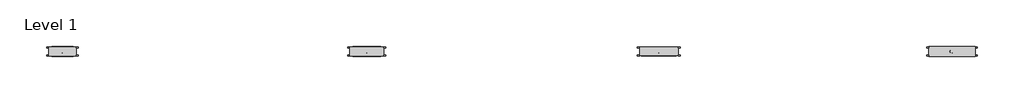
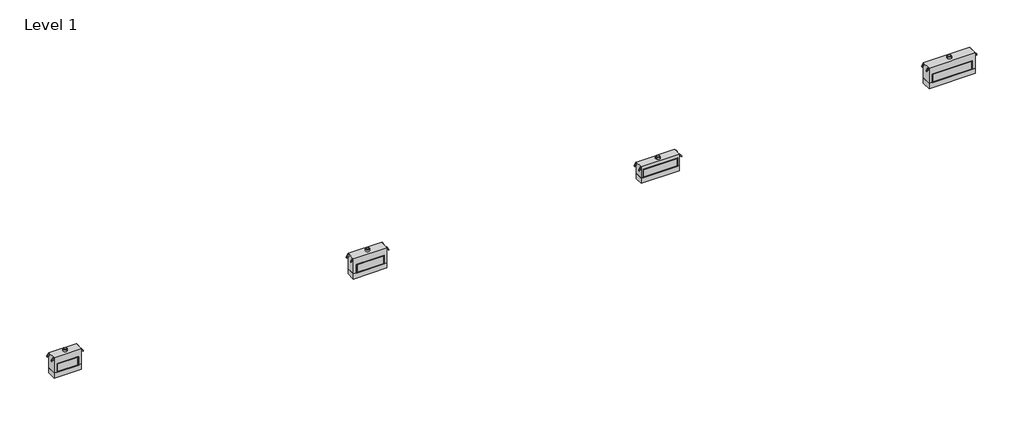
# One storey: 12 proxies.
"""IFC4 building model written with IfcOpenShell, lengths in millimetres."""

import ifcopenshell
import ifcopenshell.guid

model = None  # the IFC model being written
_history = None  # IfcOwnerHistory: only IFC2X3 demands one
_inside = {}  # id of a spatial element -> (the spatial element, [elements in it])
_under = {}  # id of a project, library or spatial element -> (it, [spatial elements below it])
_declared = {}  # id of a project -> (the project, [libraries it declares])
_typed = {}  # id of a type object -> (the type object, [elements of that type])
_made_of = {}  # id of a material, layer set ... -> (it, [elements and type objects made of it])


def new_model(schema):
    """Start an empty IFC model of exactly this schema.

    Asked for "IFC4X3", IfcOpenShell would pick the latest addendum, in which some entities
    have other attributes; the version numbers below select the first issue.
    IFC2X3 requires an IfcOwnerHistory on every rooted entity: one is made here for all.
    """
    global model, _history
    if schema == "IFC4X3":
        model = ifcopenshell.file(schema_version=(4, 3, 0, 0))
    else:
        model = ifcopenshell.file(schema=schema)
    _inside.clear()
    _under.clear()
    _declared.clear()
    _typed.clear()
    _made_of.clear()
    _history = None
    if model.schema == "IFC2X3":
        org = make("IfcOrganization", Name="unknown")
        user = make(
            "IfcPersonAndOrganization",
            ThePerson=make("IfcPerson", FamilyName="unknown"),
            TheOrganization=org,
        )
        app = make(
            "IfcApplication",
            ApplicationDeveloper=org,
            Version="unknown",
            ApplicationFullName="unknown",
            ApplicationIdentifier="unknown",
        )
        _history = make(
            "IfcOwnerHistory",
            OwningUser=user,
            OwningApplication=app,
            ChangeAction="ADDED",
            CreationDate=0,
        )
    return model


def make(cls, **values):
    """One entity of the class cls with the attributes given. An attribute that is None is left unset."""
    return model.create_entity(
        cls, **{name: value for name, value in values.items() if value is not None}
    )


def rooted(cls, **values):
    """An entity with a GlobalId (a new one), such as an element, a storey or a relation."""
    return make(cls, GlobalId=ifcopenshell.guid.new(), OwnerHistory=_history, **values)


def si_unit(unit_type, name, prefix=None):
    """IfcSIUnit, for example si_unit("LENGTHUNIT", "METRE", prefix="MILLI")."""
    return make("IfcSIUnit", UnitType=unit_type, Prefix=prefix, Name=name)


def assignment(units):
    """IfcUnitAssignment: the units of a project."""
    return None if units is None else make("IfcUnitAssignment", Units=units)


def point(xyz):
    """IfcCartesianPoint."""
    return None if xyz is None else make("IfcCartesianPoint", Coordinates=xyz)


def direction(xyz):
    """IfcDirection."""
    return None if xyz is None else make("IfcDirection", DirectionRatios=xyz)


def frame(location, z_axis=None, x_axis=None):
    """IfcAxis2Placement3D, a coordinate frame: its origin and axes. An axis left out is left unset."""
    return make(
        "IfcAxis2Placement3D",
        Location=point(location),
        Axis=direction(z_axis),
        RefDirection=direction(x_axis),
    )


def frame_2d(location, x_axis=None):
    """IfcAxis2Placement2D, a coordinate frame in the plane: its origin and x axis."""
    return make(
        "IfcAxis2Placement2D", Location=point(location), RefDirection=direction(x_axis)
    )


def origin():
    """The frame at (0, 0, 0) with its axes left unset."""
    return frame((0.0, 0.0, 0.0))


def origin_with_axes():
    """The frame at (0, 0, 0) with the z axis (0, 0, 1) and the x axis (1, 0, 0) written out."""
    return frame((0.0, 0.0, 0.0), z_axis=(0.0, 0.0, 1.0), x_axis=(1.0, 0.0, 0.0))


def origin_2d():
    """The frame at (0, 0) in the plane with its x axis left unset."""
    return frame_2d((0.0, 0.0))


def place(relative_to, where):
    """IfcLocalPlacement: puts the frame where relative to a parent placement (None: the world)."""
    return make(
        "IfcLocalPlacement", PlacementRelTo=relative_to, RelativePlacement=where
    )


def context(
    kind, dimensions, precision=None, world=None, true_north=None, identifier=None
):
    """IfcGeometricRepresentationContext, for example the 3D "Model" context."""
    return make(
        "IfcGeometricRepresentationContext",
        ContextIdentifier=identifier,
        ContextType=kind,
        CoordinateSpaceDimension=dimensions,
        Precision=precision,
        WorldCoordinateSystem=world,
        TrueNorth=true_north,
    )


def project(units=None, contexts=None):
    """IfcProject with its units and contexts."""
    return rooted(
        "IfcProject",
        Name="project",
        RepresentationContexts=contexts,
        UnitsInContext=assignment(units),
    )


def spatial(cls, under=None, at=None, **own):
    """A site, building, storey or space (cls), placed at a placement, below another one or the project."""
    s = rooted(cls, ObjectPlacement=at, **own)
    if under is not None:
        _under.setdefault(under.id(), (under, []))[1].append(s)
    return s


def polyline(points):
    """IfcPolyline through the points."""
    return make("IfcPolyline", Points=[point(p) for p in points])


def circle_curve(where, radius):
    """IfcCircle in the frame where."""
    return make("IfcCircle", Position=where, Radius=radius)


def trimmed(basis, trim1, trim2, sense, master):
    """IfcTrimmedCurve: the piece of a basis curve between two trims."""
    return make(
        "IfcTrimmedCurve",
        BasisCurve=basis,
        Trim1=trim1,
        Trim2=trim2,
        SenseAgreement=sense,
        MasterRepresentation=master,
    )


def segment(curve, same_sense, transition):
    """IfcCompositeCurveSegment."""
    return make(
        "IfcCompositeCurveSegment",
        Transition=transition,
        SameSense=same_sense,
        ParentCurve=curve,
    )


def composite_curve(segments, self_intersect=None):
    """IfcCompositeCurve: segments joined end to end."""
    return make("IfcCompositeCurve", Segments=segments, SelfIntersect=self_intersect)


def outline(outer, holes=None, kind="AREA"):
    """IfcArbitraryClosedProfileDef: a profile drawn as a closed curve; with holes, ...WithVoids."""
    if holes is None:
        return make("IfcArbitraryClosedProfileDef", ProfileType=kind, OuterCurve=outer)
    return make(
        "IfcArbitraryProfileDefWithVoids",
        ProfileType=kind,
        OuterCurve=outer,
        InnerCurves=holes,
    )


def extrude(swept, where, along, depth):
    """IfcExtrudedAreaSolid: the profile swept, set in the frame where, extruded along a direction by depth."""
    return make(
        "IfcExtrudedAreaSolid",
        SweptArea=swept,
        Position=where,
        ExtrudedDirection=direction(along),
        Depth=depth,
    )


def shape(context_of_items, identifier, shape_type, items):
    """IfcShapeRepresentation: the items that make up one representation, for example the "Body"."""
    return make(
        "IfcShapeRepresentation",
        ContextOfItems=context_of_items,
        RepresentationIdentifier=identifier,
        RepresentationType=shape_type,
        Items=items,
    )


def source(mapping_origin, context_of_items, identifier, shape_type, items):
    """IfcRepresentationMap: a shape defined once, which mapped items show again and again."""
    return make(
        "IfcRepresentationMap",
        MappingOrigin=mapping_origin,
        MappedRepresentation=shape(context_of_items, identifier, shape_type, items),
    )


def transform(
    local_origin,
    x_axis=None,
    y_axis=None,
    z_axis=None,
    scale=None,
    scale2=None,
    scale3=None,
    uniform=True,
):
    """IfcCartesianTransformationOperator3D, or its non-uniform kind. x_axis, y_axis, z_axis: its Axis1, 2, 3."""
    if uniform:
        return make(
            "IfcCartesianTransformationOperator3D",
            Axis1=direction(x_axis),
            Axis2=direction(y_axis),
            LocalOrigin=point(local_origin),
            Scale=scale,
            Axis3=direction(z_axis),
        )
    return make(
        "IfcCartesianTransformationOperator3DnonUniform",
        Axis1=direction(x_axis),
        Axis2=direction(y_axis),
        LocalOrigin=point(local_origin),
        Scale=scale,
        Axis3=direction(z_axis),
        Scale2=scale2,
        Scale3=scale3,
    )


def mapped(mapping_source, mapping_target):
    """IfcMappedItem: shows the shape of a source again, moved by a transform."""
    return make(
        "IfcMappedItem", MappingSource=mapping_source, MappingTarget=mapping_target
    )


def made_of(thing, what):
    """Note that an element or type object is made of a material, layer set ...; save() writes the relation."""
    if what is not None:
        _made_of.setdefault(what.id(), (what, []))[1].append(thing)
    return thing


def element(
    cls,
    number,
    at=None,
    inside=None,
    cuts=None,
    type_object=None,
    material=None,
    context=None,
    identifier="Body",
    shape_type=None,
    held_by="IfcProductDefinitionShape",
    body=None,
    shapes=None,
    **own,
):
    """One element of the class cls, such as IfcWall. Its Tag is "e" and its number.

    at: its placement. inside: the storey or other place that contains it. cuts: it is an
    opening in that element (IfcRelVoidsElement). A single representation is given by context,
    identifier, shape_type and body (its items); several are given by shapes. held_by: the class
    of the entity that holds the representations. save() writes the other relations.
    """
    e = rooted(cls, Tag="e%d" % number, ObjectPlacement=at, **own)
    if body is not None:
        shapes = [shape(context, identifier, shape_type, body)]
    if shapes is not None:
        e.Representation = make(held_by, Representations=shapes)
    if inside is not None:
        _inside.setdefault(inside.id(), (inside, []))[1].append(e)
    if cuts is not None:
        rooted(
            "IfcRelVoidsElement", RelatingBuildingElement=cuts, RelatedOpeningElement=e
        )
    if type_object is not None:
        _typed.setdefault(type_object.id(), (type_object, []))[1].append(e)
    return made_of(e, material)


def aggregate(whole, parts):
    """IfcRelAggregates: a whole, such as a stair, and the parts it consists of."""
    return rooted("IfcRelAggregates", RelatingObject=whole, RelatedObjects=parts)


def save(model, path):
    """Write the relations noted so far, then the file.

    IfcRelAggregates (storeys below a building ...), IfcRelContainedInSpatialStructure (elements
    in a storey), IfcRelDefinesByType, IfcRelAssociatesMaterial and IfcRelDeclares: one each for
    every whole, place, type object, material and project.
    """
    for whole, parts in _under.values():
        aggregate(whole, parts)
    for where, things in _inside.values():
        rooted(
            "IfcRelContainedInSpatialStructure",
            RelatedElements=things,
            RelatingStructure=where,
        )
    for kind, things in _typed.values():
        rooted("IfcRelDefinesByType", RelatedObjects=things, RelatingType=kind)
    for what, things in _made_of.values():
        rooted("IfcRelAssociatesMaterial", RelatedObjects=things, RelatingMaterial=what)
    for by, libraries in _declared.values():
        rooted("IfcRelDeclares", RelatingContext=by, RelatedDefinitions=libraries)
    model.write(path)


def d36_d36_6f4c5c59(model_context):
    return source(origin(), model_context, "Body", "SweptSolid", [
        extrude(outline(polyline([(911.8600077, -658.8125), (1038.8600077, -658.8125), (1038.8600077, -675.6019363), (923.725043, -760.1840267), (873.7600292, -760.1840267), (873.7600292, -758.6600552), (911.8600077, -758.6600552), (911.8600077, -658.8125)])), frame((0.0, 169.1535326, 0.0), z_axis=(0.0, 1.0, 0.0), x_axis=(0.0, 0.0, 1.0)), (0.0, 0.0, 1.0), 40.3964674),
        extrude(outline(polyline([(911.8600077, -658.8125), (1038.8600077, -658.8125), (1038.8600077, -675.6019363), (923.725043, -760.1840267), (873.7600292, -760.1840267), (873.7600292, -758.6600552), (911.8600077, -758.6600552), (911.8600077, -658.8125)])), frame((0.0, -209.55, 0.0), z_axis=(0.0, 1.0, 0.0), x_axis=(0.0, 0.0, 1.0)), (0.0, 0.0, 1.0), 40.3964674),
        extrude(outline(polyline([(911.8600077, 658.8125), (911.8600077, 758.6600552), (873.7600292, 758.6600552), (873.7600292, 760.1840267), (923.725043, 760.1840267), (1038.8600077, 675.6019363), (1038.8600077, 658.8125), (911.8600077, 658.8125)])), frame((0.0, 169.1535326, 0.0), z_axis=(0.0, 1.0, 0.0), x_axis=(0.0, 0.0, 1.0)), (0.0, 0.0, 1.0), 40.3964674),
        extrude(outline(polyline([(911.8600077, 658.8125), (911.8600077, 758.6600552), (873.7600292, 758.6600552), (873.7600292, 760.1840267), (923.725043, 760.1840267), (1038.8600077, 675.6019363), (1038.8600077, 658.8125), (911.8600077, 658.8125)])), frame((0.0, -209.55, 0.0), z_axis=(0.0, 1.0, 0.0), x_axis=(0.0, 0.0, 1.0)), (0.0, 0.0, 1.0), 40.3964674),
        extrude(outline(polyline([(481.0125, 220.6625), (481.0125, -220.6625), (-481.0125, -220.6625), (-481.0125, 220.6625), (481.0125, 220.6625)])), frame((0.0, 0.0, 282.575), z_axis=(0.0, 0.0, 1.0), x_axis=(1.0, 0.0, 0.0)), (0.0, 0.0, 1.0), 393.7),
        extrude(outline(polyline([(1041.4, 658.8125), (1041.4, -658.8125), (263.525, -658.8125), (263.525, -517.525), (695.325, -517.525), (695.325, 517.525), (263.525, 517.525), (263.525, 658.8125), (1041.4, 658.8125)])), frame((0.0, -220.6625, 0.0), z_axis=(0.0, 1.0, 0.0), x_axis=(0.0, 0.0, 1.0)), (0.0, 0.0, 1.0), 441.325),
        extrude(outline(polyline([(695.325, 517.525), (695.325, -517.525), (263.525, -517.525), (263.525, 517.525), (695.325, 517.525)]), holes=[polyline([(676.275, -481.0125), (676.275, 481.0125), (282.575, 481.0125), (282.575, -481.0125), (676.275, -481.0125)])]), frame((0.0, -234.95, 0.0), z_axis=(0.0, 1.0, 0.0), x_axis=(0.0, 0.0, 1.0)), (0.0, 0.0, 1.0), 469.9),
        extrude(outline(polyline([(658.8125, 220.6625), (658.8125, -220.6625), (-658.8125, -220.6625), (-658.8125, 220.6625), (658.8125, 220.6625)])), origin_with_axes(), (0.0, 0.0, 1.0), 263.525),
    ])


def d48_d48_03faacfb(model_context):
    return source(origin(), model_context, "Body", "SweptSolid", [
        extrude(outline(polyline([(911.8600077, -811.2125), (1038.8600077, -811.2125), (1038.8600077, -828.0019363), (923.725043, -912.5840267), (873.7600292, -912.5840267), (873.7600292, -911.0600552), (911.8600077, -911.0600552), (911.8600077, -811.2125)])), frame((0.0, 169.1535326, 0.0), z_axis=(0.0, 1.0, 0.0), x_axis=(0.0, 0.0, 1.0)), (0.0, 0.0, 1.0), 40.3964674),
        extrude(outline(polyline([(911.8600077, -811.2125), (1038.8600077, -811.2125), (1038.8600077, -828.0019363), (923.725043, -912.5840267), (873.7600292, -912.5840267), (873.7600292, -911.0600552), (911.8600077, -911.0600552), (911.8600077, -811.2125)])), frame((0.0, -209.55, 0.0), z_axis=(0.0, 1.0, 0.0), x_axis=(0.0, 0.0, 1.0)), (0.0, 0.0, 1.0), 40.3964674),
        extrude(outline(polyline([(911.8600077, 811.2125), (911.8600077, 911.0600552), (873.7600292, 911.0600552), (873.7600292, 912.5840267), (923.725043, 912.5840267), (1038.8600077, 828.0019363), (1038.8600077, 811.2125), (911.8600077, 811.2125)])), frame((0.0, 169.1535326, 0.0), z_axis=(0.0, 1.0, 0.0), x_axis=(0.0, 0.0, 1.0)), (0.0, 0.0, 1.0), 40.3964674),
        extrude(outline(polyline([(911.8600077, 811.2125), (911.8600077, 911.0600552), (873.7600292, 911.0600552), (873.7600292, 912.5840267), (923.725043, 912.5840267), (1038.8600077, 828.0019363), (1038.8600077, 811.2125), (911.8600077, 811.2125)])), frame((0.0, -209.55, 0.0), z_axis=(0.0, 1.0, 0.0), x_axis=(0.0, 0.0, 1.0)), (0.0, 0.0, 1.0), 40.3964674),
        extrude(outline(polyline([(634.20625, 220.6625), (634.20625, -220.6625), (-634.20625, -220.6625), (-634.20625, 220.6625), (634.20625, 220.6625)])), frame((0.0, 0.0, 282.575), z_axis=(0.0, 0.0, 1.0), x_axis=(1.0, 0.0, 0.0)), (0.0, 0.0, 1.0), 393.7),
        extrude(outline(polyline([(1041.4, 811.2125), (1041.4, -811.2125), (263.525, -811.2125), (263.525, -670.71875), (695.325, -670.71875), (695.325, 670.71875), (263.525, 670.71875), (263.525, 811.2125), (1041.4, 811.2125)])), frame((0.0, -220.6625, 0.0), z_axis=(0.0, 1.0, 0.0), x_axis=(0.0, 0.0, 1.0)), (0.0, 0.0, 1.0), 441.325),
        extrude(outline(polyline([(695.325, 670.71875), (695.325, -670.71875), (263.525, -670.71875), (263.525, 670.71875), (695.325, 670.71875)]), holes=[polyline([(676.275, -634.20625), (676.275, 634.20625), (282.575, 634.20625), (282.575, -634.20625), (676.275, -634.20625)])]), frame((0.0, -234.95, 0.0), z_axis=(0.0, 1.0, 0.0), x_axis=(0.0, 0.0, 1.0)), (0.0, 0.0, 1.0), 469.9),
        extrude(outline(polyline([(811.2125, 220.6625), (811.2125, -220.6625), (-811.2125, -220.6625), (-811.2125, 220.6625), (811.2125, 220.6625)])), origin_with_axes(), (0.0, 0.0, 1.0), 263.525),
    ])


def d63_d63_df010d6a(model_context):
    return source(origin(), model_context, "Body", "SweptSolid", [
        extrude(outline(polyline([(713.4225077, -925.5125), (840.4225077, -925.5125), (840.4225077, -942.3019363), (725.287543, -1026.8840267), (675.3225292, -1026.8840267), (675.3225292, -1025.3600552), (713.4225077, -1025.3600552), (713.4225077, -925.5125)])), frame((0.0, 169.1535326, 0.0), z_axis=(0.0, 1.0, 0.0), x_axis=(0.0, 0.0, 1.0)), (0.0, 0.0, 1.0), 40.3964674),
        extrude(outline(polyline([(713.4225077, -925.5125), (840.4225077, -925.5125), (840.4225077, -942.3019363), (725.287543, -1026.8840267), (675.3225292, -1026.8840267), (675.3225292, -1025.3600552), (713.4225077, -1025.3600552), (713.4225077, -925.5125)])), frame((0.0, -209.55, 0.0), z_axis=(0.0, 1.0, 0.0), x_axis=(0.0, 0.0, 1.0)), (0.0, 0.0, 1.0), 40.3964674),
        extrude(outline(polyline([(713.4225077, 925.5125), (713.4225077, 1025.3600552), (675.3225292, 1025.3600552), (675.3225292, 1026.8840267), (725.287543, 1026.8840267), (840.4225077, 942.3019363), (840.4225077, 925.5125), (713.4225077, 925.5125)])), frame((0.0, 169.1535326, 0.0), z_axis=(0.0, 1.0, 0.0), x_axis=(0.0, 0.0, 1.0)), (0.0, 0.0, 1.0), 40.3964674),
        extrude(outline(polyline([(713.4225077, 925.5125), (713.4225077, 1025.3600552), (675.3225292, 1025.3600552), (675.3225292, 1026.8840267), (725.287543, 1026.8840267), (840.4225077, 942.3019363), (840.4225077, 925.5125), (713.4225077, 925.5125)])), frame((0.0, -209.55, 0.0), z_axis=(0.0, 1.0, 0.0), x_axis=(0.0, 0.0, 1.0)), (0.0, 0.0, 1.0), 40.3964674),
        extrude(outline(polyline([(799.30625, 202.40625), (799.30625, -202.40625), (-799.30625, -202.40625), (-799.30625, 202.40625), (799.30625, 202.40625)])), frame((0.0, 0.0, 295.275), z_axis=(0.0, 0.0, 1.0), x_axis=(1.0, 0.0, 0.0)), (0.0, 0.0, 1.0), 371.475),
        extrude(outline(polyline([(842.9625, 925.5125), (842.9625, -925.5125), (276.225, -925.5125), (276.225, -835.81875), (685.8, -835.81875), (685.8, 835.81875), (276.225, 835.81875), (276.225, 925.5125), (842.9625, 925.5125)])), frame((0.0, -202.40625, 0.0), z_axis=(0.0, 1.0, 0.0), x_axis=(0.0, 0.0, 1.0)), (0.0, 0.0, 1.0), 404.8125),
        extrude(outline(polyline([(685.8, 835.81875), (685.8, -835.81875), (276.225, -835.81875), (276.225, 835.81875), (685.8, 835.81875)]), holes=[polyline([(666.75, -799.30625), (666.75, 799.30625), (295.275, 799.30625), (295.275, -799.30625), (666.75, -799.30625)])]), frame((0.0, -216.69375, 0.0), z_axis=(0.0, 1.0, 0.0), x_axis=(0.0, 0.0, 1.0)), (0.0, 0.0, 1.0), 433.3875),
        extrude(outline(polyline([(925.5125, 202.40625), (925.5125, -202.40625), (-925.5125, -202.40625), (-925.5125, 202.40625), (925.5125, 202.40625)])), origin_with_axes(), (0.0, 0.0, 1.0), 276.225),
    ])


def d72_d72_3bbeb9f6(model_context):
    return source(origin(), model_context, "Body", "SweptSolid", [
        extrude(outline(polyline([(911.8600077, -1116.0125), (1038.8600077, -1116.0125), (1038.8600077, -1132.8019363), (923.725043, -1217.3840267), (873.7600292, -1217.3840267), (873.7600292, -1215.8600552), (911.8600077, -1215.8600552), (911.8600077, -1116.0125)])), frame((0.0, 169.1535326, 0.0), z_axis=(0.0, 1.0, 0.0), x_axis=(0.0, 0.0, 1.0)), (0.0, 0.0, 1.0), 40.3964674),
        extrude(outline(polyline([(911.8600077, -1116.0125), (1038.8600077, -1116.0125), (1038.8600077, -1132.8019363), (923.725043, -1217.3840267), (873.7600292, -1217.3840267), (873.7600292, -1215.8600552), (911.8600077, -1215.8600552), (911.8600077, -1116.0125)])), frame((0.0, -209.55, 0.0), z_axis=(0.0, 1.0, 0.0), x_axis=(0.0, 0.0, 1.0)), (0.0, 0.0, 1.0), 40.3964674),
        extrude(outline(polyline([(911.8600077, 1116.0125), (911.8600077, 1215.8600552), (873.7600292, 1215.8600552), (873.7600292, 1217.3840267), (923.725043, 1217.3840267), (1038.8600077, 1132.8019363), (1038.8600077, 1116.0125), (911.8600077, 1116.0125)])), frame((0.0, 169.1535326, 0.0), z_axis=(0.0, 1.0, 0.0), x_axis=(0.0, 0.0, 1.0)), (0.0, 0.0, 1.0), 40.3964674),
        extrude(outline(polyline([(911.8600077, 1116.0125), (911.8600077, 1215.8600552), (873.7600292, 1215.8600552), (873.7600292, 1217.3840267), (923.725043, 1217.3840267), (1038.8600077, 1132.8019363), (1038.8600077, 1116.0125), (911.8600077, 1116.0125)])), frame((0.0, -209.55, 0.0), z_axis=(0.0, 1.0, 0.0), x_axis=(0.0, 0.0, 1.0)), (0.0, 0.0, 1.0), 40.3964674),
        extrude(outline(polyline([(938.2125, 233.3625), (938.2125, -233.3625), (-938.2125, -233.3625), (-938.2125, 233.3625), (938.2125, 233.3625)])), frame((0.0, 0.0, 282.575), z_axis=(0.0, 0.0, 1.0), x_axis=(1.0, 0.0, 0.0)), (0.0, 0.0, 1.0), 393.7),
        extrude(outline(polyline([(1041.4, 1116.0125), (1041.4, -1116.0125), (263.525, -1116.0125), (263.525, -974.725), (695.325, -974.725), (695.325, 974.725), (263.525, 974.725), (263.525, 1116.0125), (1041.4, 1116.0125)])), frame((0.0, -233.3625, 0.0), z_axis=(0.0, 1.0, 0.0), x_axis=(0.0, 0.0, 1.0)), (0.0, 0.0, 1.0), 466.725),
        extrude(outline(polyline([(695.325, 974.725), (695.325, -974.725), (263.525, -974.725), (263.525, 974.725), (695.325, 974.725)]), holes=[polyline([(676.275, -938.2125), (676.275, 938.2125), (282.575, 938.2125), (282.575, -938.2125), (676.275, -938.2125)])]), frame((0.0, -247.65, 0.0), z_axis=(0.0, 1.0, 0.0), x_axis=(0.0, 0.0, 1.0)), (0.0, 0.0, 1.0), 495.3),
        extrude(outline(polyline([(1116.0125, 233.3625), (1116.0125, -233.3625), (-1116.0125, -233.3625), (-1116.0125, 233.3625), (1116.0125, 233.3625)])), origin_with_axes(), (0.0, 0.0, 1.0), 263.525),
    ])


def proxy_2aee5261(model_context):
    return source(origin(), model_context, "Body", "SweptSolid", [
        extrude(outline(composite_curve([segment(trimmed(circle_curve(origin_2d(), 63.5), [point((-63.5, 0.0))], [point((63.5, 0.0))], False, "CARTESIAN"), True, "CONTINUOUS"), segment(trimmed(circle_curve(origin_2d(), 63.5), [point((63.5, 0.0))], [point((-63.5, 0.0))], False, "CARTESIAN"), True, "CONTINUOUS")], self_intersect=False), holes=[composite_curve([segment(trimmed(circle_curve(origin_2d(), 61.9125), [point((-61.9125, 0.0))], [point((61.9125, 0.0))], True, "CARTESIAN"), True, "CONTINUOUS"), segment(trimmed(circle_curve(origin_2d(), 61.9125), [point((61.9125, 0.0))], [point((-61.9125, 0.0))], True, "CARTESIAN"), True, "CONTINUOUS")], self_intersect=False)]), origin_with_axes(), (0.0, 0.0, 1.0), 104.775),
    ])


def proxy_1217a2f7(model_context):
    return source(origin(), model_context, "Body", "SweptSolid", [
        extrude(outline(composite_curve([segment(trimmed(circle_curve(origin_2d(), 101.6), [point((-101.6, 0.0))], [point((101.6, 0.0))], False, "CARTESIAN"), True, "CONTINUOUS"), segment(trimmed(circle_curve(origin_2d(), 101.6), [point((101.6, 0.0))], [point((-101.6, 0.0))], False, "CARTESIAN"), True, "CONTINUOUS")], self_intersect=False), holes=[composite_curve([segment(trimmed(circle_curve(origin_2d(), 100.0125), [point((-100.0125, 0.0))], [point((100.0125, 0.0))], True, "CARTESIAN"), True, "CONTINUOUS"), segment(trimmed(circle_curve(origin_2d(), 100.0125), [point((100.0125, 0.0))], [point((-100.0125, 0.0))], True, "CARTESIAN"), True, "CONTINUOUS")], self_intersect=False)]), origin_with_axes(), (0.0, 0.0, 1.0), 88.9),
    ])


model = new_model("IFC4")

# Units and contexts
model_context = context("Model", 3, world=origin())
ifc_project = project(units=[si_unit("LENGTHUNIT", "METRE", prefix="MILLI")], contexts=[model_context])

# Site, building, storey
site = spatial("IfcSite", under=ifc_project)
building = spatial("IfcBuilding", under=site)
storey = spatial("IfcBuildingStorey", under=building, Name="Level 1", Elevation=0.0)

# Proxies
placement = place(None, origin())
d36_d36_shape = d36_d36_6f4c5c59(model_context)
element("IfcBuildingElementProxy", 1, Name="D36 : D36", ObjectType="D36 : D36", at=placement, inside=storey, context=model_context, shape_type="MappedRepresentation", body=[
    mapped(d36_d36_shape, transform((-14001.2198318, 1759.745518, 0.0), x_axis=(-1.0, 0.0, 0.0), y_axis=(0.0, -1.0, 0.0), z_axis=(0.0, 0.0, 1.0))),
])
d48_d48_shape = d48_d48_03faacfb(model_context)
element("IfcBuildingElementProxy", 2, Name="D48 : D48", ObjectType="D48 : D48", at=placement, inside=storey, context=model_context, shape_type="MappedRepresentation", body=[
    mapped(d48_d48_shape, transform((618.0574402, 1759.745518, 0.0), x_axis=(-1.0, 0.0, 0.0), y_axis=(0.0, -1.0, 0.0), z_axis=(0.0, 0.0, 1.0))),
])
d63_d63_shape = d63_d63_df010d6a(model_context)
element("IfcBuildingElementProxy", 3, Name="D63 : D63", ObjectType="D63 : D63", at=placement, inside=storey, context=model_context, shape_type="MappedRepresentation", body=[
    mapped(d63_d63_shape, transform((14649.9801682, 1759.745518, 0.0), x_axis=(-1.0, 0.0, 0.0), y_axis=(0.0, -1.0, 0.0), z_axis=(0.0, 0.0, 1.0))),
])
d72_d72_shape = d72_d72_3bbeb9f6(model_context)
element("IfcBuildingElementProxy", 4, Name="D72 : D72", ObjectType="D72 : D72", at=placement, inside=storey, context=model_context, shape_type="MappedRepresentation", body=[
    mapped(d72_d72_shape, transform((28735.8778963, 1759.745518, 0.0), x_axis=(-1.0, 0.0, 0.0), y_axis=(0.0, -1.0, 0.0), z_axis=(0.0, 0.0, 1.0))),
])
proxy_shape = proxy_2aee5261(model_context)
element("IfcBuildingElementProxy", 5, Name="Duct Dia : 5\"", ObjectType="Duct Dia : 5\"", at=placement, inside=storey, context=model_context, shape_type="MappedRepresentation", body=[
    mapped(proxy_shape, transform((-14001.2198318, 1759.745518, 1041.4), x_axis=(1.0, 0.0, 0.0), y_axis=(0.0, 1.0, 0.0), z_axis=(0.0, 0.0, 1.0))),
])
element("IfcBuildingElementProxy", 6, Name="Duct Dia : 5\"", ObjectType="Duct Dia : 5\"", at=placement, inside=storey, context=model_context, shape_type="MappedRepresentation", body=[
    mapped(proxy_shape, transform((618.0574402, 1759.745518, 1041.4), x_axis=(1.0, 0.0, 0.0), y_axis=(0.0, 1.0, 0.0), z_axis=(0.0, 0.0, 1.0))),
])
element("IfcBuildingElementProxy", 7, Name="Duct Dia : 5\"", ObjectType="Duct Dia : 5\"", at=placement, inside=storey, context=model_context, shape_type="MappedRepresentation", body=[
    mapped(proxy_shape, transform((14649.9801682, 1759.745518, 842.9625), x_axis=(1.0, 0.0, 0.0), y_axis=(0.0, 1.0, 0.0), z_axis=(0.0, 0.0, 1.0))),
])
element("IfcBuildingElementProxy", 8, Name="Duct Dia : 5\"", ObjectType="Duct Dia : 5\"", at=placement, inside=storey, context=model_context, shape_type="MappedRepresentation", body=[
    mapped(proxy_shape, transform((28735.8778963, 1759.745518, 1041.4), x_axis=(1.0, 0.0, 0.0), y_axis=(0.0, 1.0, 0.0), z_axis=(0.0, 0.0, 1.0))),
])
proxy_2_shape = proxy_1217a2f7(model_context)
element("IfcBuildingElementProxy", 9, Name="Duct Dia : 8\"", ObjectType="Duct Dia : 8\"", at=placement, inside=storey, context=model_context, shape_type="MappedRepresentation", body=[
    mapped(proxy_2_shape, transform((-14001.2198318, 1759.745518, 1041.4), x_axis=(1.0, 0.0, 0.0), y_axis=(0.0, 1.0, 0.0), z_axis=(0.0, 0.0, 1.0))),
])
element("IfcBuildingElementProxy", 10, Name="Duct Dia : 8\"", ObjectType="Duct Dia : 8\"", at=placement, inside=storey, context=model_context, shape_type="MappedRepresentation", body=[
    mapped(proxy_2_shape, transform((618.0574402, 1759.745518, 1041.4), x_axis=(1.0, 0.0, 0.0), y_axis=(0.0, 1.0, 0.0), z_axis=(0.0, 0.0, 1.0))),
])
element("IfcBuildingElementProxy", 11, Name="Duct Dia : 8\"", ObjectType="Duct Dia : 8\"", at=placement, inside=storey, context=model_context, shape_type="MappedRepresentation", body=[
    mapped(proxy_2_shape, transform((14649.9801682, 1759.745518, 842.9625), x_axis=(1.0, 0.0, 0.0), y_axis=(0.0, 1.0, 0.0), z_axis=(0.0, 0.0, 1.0))),
])
element("IfcBuildingElementProxy", 12, Name="Duct Dia : 8\"", ObjectType="Duct Dia : 8\"", at=placement, inside=storey, context=model_context, shape_type="MappedRepresentation", body=[
    mapped(proxy_2_shape, transform((28735.8778963, 1759.745518, 1041.4), x_axis=(1.0, 0.0, 0.0), y_axis=(0.0, 1.0, 0.0), z_axis=(0.0, 0.0, 1.0))),
])

save(model, "model.ifc")
